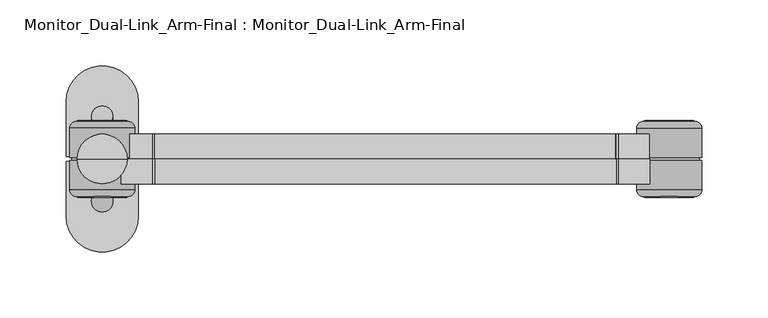
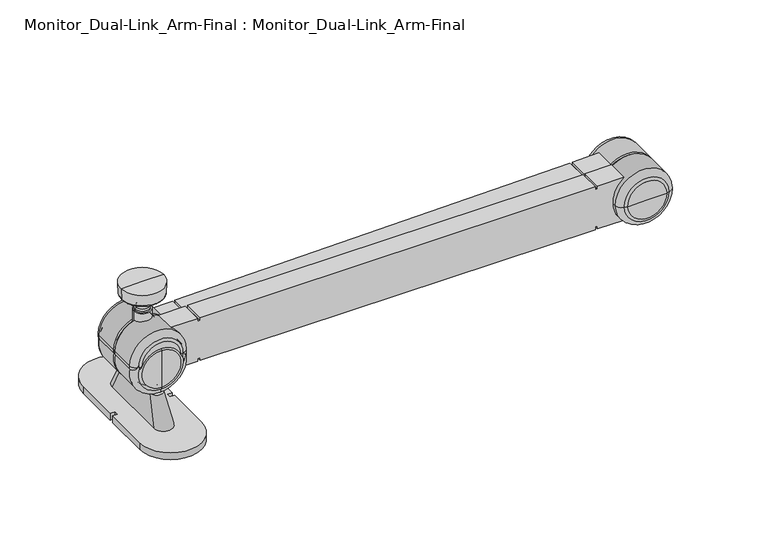
"""IFC4 building model written with IfcOpenShell, lengths in millimetres: proxy geometry, Monitor_Dual-Link_Arm-Final : Monitor_Dual-Link_Arm-Final."""

from ifc_helpers import new_model, si_unit, point, frame, frame_2d, origin, origin_with_axes, place, context, project, spatial, polyline, circle_curve, ellipse_curve, trimmed, segment, composite_curve, outline, extrude, source, transform, mapped, element, save
from ifc_brep_helpers import plane_surface, cylinder_surface, revolved_surface, spline_surface, advanced_brep


def monitor_dual_link_arm_final_monitor_dual_link_arm_final_3c1dcffe(model_context):
    return source(origin(), model_context, "Body", "SolidModel", [
        advanced_brep(
        [(14.2594417, 0.0, 109.9159285), (-14.390005, 0.0, 109.9159285), (-17.2631298, 0.0, 109.9159285), (17.1325665, 0.0, 109.9159285), (10.4651235, 0.0, 108.0417995), (-10.5956869, 0.0, 108.0417995), (8.3225601, 0.0, 106.5415605), (-8.4531234, 0.0, 106.5415605), (2.4235287, 0.0, 106.4080746), (-2.554092, 0.0, 106.4080746), (2.4235287, 0.0, 104.7329669), (-2.554092, 0.0, 104.7329669), (3.4032162, 0.0, 104.7329669), (-3.5337796, 0.0, 104.7329669), (3.8485234, 0.0, 101.4790226), (-3.9790867, 0.0, 101.4790226), (5.3589975, 0.0, 98.9342238), (-5.4895609, 0.0, 98.9342238), (6.0692452, 0.0, 97.4110928), (-6.1998085, 0.0, 97.4110928), (6.0692452, 0.0, 96.0678917), (-6.1998085, 0.0, 96.0678917), (7.4106237, 0.0, 96.0678917), (-7.541187, 0.0, 96.0678917), (7.4106237, 0.0, 84.2810725), (-7.541187, 0.0, 84.2810725), (-0.0652817, 0.0, 84.2810725), (18.758255, 0.0, 120.873411), (-18.8888183, 0.0, 120.873411), (-0.0652817, 0.0, 120.873411), (18.3332726, 0.0, 111.1466342), (-18.4638359, 0.0, 111.1466342)],
        [
            (0, 1, circle_curve(frame((-0.0652817, 0.0, 109.9159285), z_axis=(0.0, 0.0, 1.0), x_axis=(-1.0, 0.0, 0.0)), 14.3247233)),
            (1, 2),
            (2, 3, circle_curve(frame((-0.0652817, 0.0, 109.9159285), z_axis=(0.0, 0.0, -1.0), x_axis=(-1.0, 0.0, 0.0)), 17.1978481)),
            (3, 0),
            (1, 0, circle_curve(frame((-0.0652817, 0.0, 109.9159285), z_axis=(0.0, 0.0, 1.0), x_axis=(-1.0, 0.0, 0.0)), 14.3247233)),
            (3, 2, circle_curve(frame((-0.0652817, 0.0, 109.9159285), z_axis=(0.0, 0.0, -1.0), x_axis=(-1.0, 0.0, 0.0)), 17.1978481)),
            (4, 5, circle_curve(frame((-0.0652817, 0.0, 108.0417995), z_axis=(0.0, 0.0, 1.0), x_axis=(-1.0, 0.0, 0.0)), 10.5304052)),
            (5, 1, circle_curve(frame((-14.6071665, 0.0, 104.6982593), z_axis=(0.0, -1.0, 0.0), x_axis=(0.0, 0.0, 1.0)), 5.2221864)),
            (0, 4, circle_curve(frame((14.4766032, 0.0, 104.6982593), z_axis=(0.0, -1.0, 0.0), x_axis=(0.0, 0.0, 1.0)), 5.2221864)),
            (5, 4, circle_curve(frame((-0.0652817, 0.0, 108.0417995), z_axis=(0.0, 0.0, 1.0), x_axis=(-1.0, 0.0, 0.0)), 10.5304052)),
            (6, 7, circle_curve(frame((-0.0652817, 0.0, 106.5415605), z_axis=(0.0, 0.0, 1.0), x_axis=(-1.0, 0.0, 0.0)), 8.3878417)),
            (7, 5, circle_curve(frame((-6.7614159, 0.0, 111.2376375), z_axis=(0.0, 1.0, 0.0), x_axis=(0.0, 0.0, 1.0)), 4.9914942)),
            (4, 6, circle_curve(frame((6.6308526, 0.0, 111.2376375), z_axis=(0.0, 1.0, 0.0), x_axis=(0.0, 0.0, 1.0)), 4.9914942)),
            (7, 6, circle_curve(frame((-0.0652817, 0.0, 106.5415605), z_axis=(0.0, 0.0, 1.0), x_axis=(-1.0, 0.0, 0.0)), 8.3878417)),
            (8, 9, circle_curve(frame((-0.0652817, 0.0, 106.4080746), z_axis=(0.0, 0.0, 1.0), x_axis=(-1.0, 0.0, 0.0)), 2.4888103)),
            (9, 7, circle_curve(frame((-1.755604, 0.0, 272.1072465), z_axis=(0.0, 1.0, 0.0), x_axis=(0.0, 0.0, 1.0)), 165.7010958)),
            (6, 8, circle_curve(frame((1.6250407, 0.0, 272.1072465), z_axis=(0.0, 1.0, 0.0), x_axis=(0.0, 0.0, 1.0)), 165.7010958)),
            (9, 8, circle_curve(frame((-0.0652817, 0.0, 106.4080746), z_axis=(0.0, 0.0, 1.0), x_axis=(-1.0, 0.0, 0.0)), 2.4888103)),
            (10, 11, circle_curve(frame((-0.0652817, 0.0, 104.7329669), z_axis=(0.0, 0.0, 1.0), x_axis=(-1.0, 0.0, 0.0)), 2.4888103)),
            (11, 9),
            (8, 10),
            (11, 10, circle_curve(frame((-0.0652817, 0.0, 104.7329669), z_axis=(0.0, 0.0, 1.0), x_axis=(-1.0, 0.0, 0.0)), 2.4888103)),
            (12, 13, circle_curve(frame((-0.0652817, 0.0, 104.7329669), z_axis=(0.0, 0.0, 1.0), x_axis=(-1.0, 0.0, 0.0)), 3.4684979)),
            (13, 11),
            (10, 12),
            (13, 12, circle_curve(frame((-0.0652817, 0.0, 104.7329669), z_axis=(0.0, 0.0, 1.0), x_axis=(-1.0, 0.0, 0.0)), 3.4684979)),
            (14, 15, circle_curve(frame((-0.0652817, 0.0, 101.4790226), z_axis=(0.0, 0.0, 1.0), x_axis=(-1.0, 0.0, 0.0)), 3.9138051)),
            (15, 13),
            (12, 14),
            (15, 14, circle_curve(frame((-0.0652817, 0.0, 101.4790226), z_axis=(0.0, 0.0, 1.0), x_axis=(-1.0, 0.0, 0.0)), 3.9138051)),
            (16, 17, circle_curve(frame((-0.0652817, 0.0, 98.9342238), z_axis=(0.0, 0.0, 1.0), x_axis=(-1.0, 0.0, 0.0)), 5.4242792)),
            (17, 15),
            (14, 16),
            (17, 16, circle_curve(frame((-0.0652817, 0.0, 98.9342238), z_axis=(0.0, 0.0, 1.0), x_axis=(-1.0, 0.0, 0.0)), 5.4242792)),
            (18, 19, circle_curve(frame((-0.0652817, 0.0, 97.4110928), z_axis=(0.0, 0.0, 1.0), x_axis=(-1.0, 0.0, 0.0)), 6.1345269)),
            (19, 17),
            (16, 18),
            (19, 18, circle_curve(frame((-0.0652817, 0.0, 97.4110928), z_axis=(0.0, 0.0, 1.0), x_axis=(-1.0, 0.0, 0.0)), 6.1345269)),
            (20, 21, circle_curve(frame((-0.0652817, 0.0, 96.0678917), z_axis=(0.0, 0.0, 1.0), x_axis=(-1.0, 0.0, 0.0)), 6.1345269)),
            (21, 19),
            (18, 20),
            (21, 20, circle_curve(frame((-0.0652817, 0.0, 96.0678917), z_axis=(0.0, 0.0, 1.0), x_axis=(-1.0, 0.0, 0.0)), 6.1345269)),
            (22, 23, circle_curve(frame((-0.0652817, 0.0, 96.0678917), z_axis=(0.0, 0.0, 1.0), x_axis=(-1.0, 0.0, 0.0)), 7.4759054)),
            (23, 21),
            (20, 22),
            (23, 22, circle_curve(frame((-0.0652817, 0.0, 96.0678917), z_axis=(0.0, 0.0, 1.0), x_axis=(-1.0, 0.0, 0.0)), 7.4759054)),
            (24, 25, circle_curve(frame((-0.0652817, 0.0, 84.2810725), z_axis=(0.0, 0.0, 1.0), x_axis=(-1.0, 0.0, 0.0)), 7.4759054)),
            (25, 23),
            (22, 24),
            (25, 24, circle_curve(frame((-0.0652817, 0.0, 84.2810725), z_axis=(0.0, 0.0, 1.0), x_axis=(-1.0, 0.0, 0.0)), 7.4759054)),
            (26, 25),
            (24, 26),
            (27, 28, circle_curve(frame((-0.0652817, 0.0, 120.873411), z_axis=(0.0, 0.0, 1.0), x_axis=(-1.0, 0.0, 0.0)), 18.8235367)),
            (28, 29),
            (29, 27),
            (28, 27, circle_curve(frame((-0.0652817, 0.0, 120.873411), z_axis=(0.0, 0.0, 1.0), x_axis=(-1.0, 0.0, 0.0)), 18.8235367)),
            (30, 31, circle_curve(frame((-0.0652817, 0.0, 111.1466342), z_axis=(0.0, 0.0, 1.0), x_axis=(-1.0, 0.0, 0.0)), 18.3985543)),
            (31, 28),
            (27, 30),
            (31, 30, circle_curve(frame((-0.0652817, 0.0, 111.1466342), z_axis=(0.0, 0.0, 1.0), x_axis=(-1.0, 0.0, 0.0)), 18.3985543)),
            (2, 31, circle_curve(frame((-17.1750383, 0.0, 111.2029444), z_axis=(0.0, 1.0, 0.0), x_axis=(0.0, 0.0, 1.0)), 1.2900272)),
            (30, 3, circle_curve(frame((17.044475, 0.0, 111.2029444), z_axis=(0.0, 1.0, 0.0), x_axis=(0.0, 0.0, 1.0)), 1.2900272)),
        ],
        [
            plane_surface(frame((-0.0652817, 0.0, 109.9159285), z_axis=(0.0, 0.0, -1.0), x_axis=(-1.0, 0.0, 0.0))),
            revolved_surface(trimmed(ellipse_curve(frame((-14.6071665, 0.0, 104.6982593), z_axis=(0.0, 1.0, 0.0), x_axis=(0.0, 0.0, 1.0)), 5.2221864, 5.2221864), [point((-14.390005, 0.0, 109.9159285))], [point((-10.5956869, 0.0, 108.0417995))], True, "CARTESIAN"), (-0.0652817, 0.0, 120.873411), (0.0, 0.0, -1.0)),
            revolved_surface(trimmed(ellipse_curve(frame((-6.7614159, 0.0, 111.2376375), z_axis=(0.0, -1.0, 0.0), x_axis=(0.0, 0.0, 1.0)), 4.9914942, 4.9914942), [point((-10.5956869, 0.0, 108.0417995))], [point((-8.4531234, 0.0, 106.5415605))], True, "CARTESIAN"), (-0.0652817, 0.0, 120.873411), (0.0, 0.0, -1.0)),
            revolved_surface(trimmed(ellipse_curve(frame((-1.755604, 0.0, 272.1072465), z_axis=(0.0, -1.0, 0.0), x_axis=(0.0, 0.0, 1.0)), 165.7010958, 165.7010958), [point((-8.4531234, 0.0, 106.5415605))], [point((-2.554092, 0.0, 106.4080746))], True, "CARTESIAN"), (-0.0652817, 0.0, 120.873411), (0.0, 0.0, -1.0)),
            cylinder_surface(frame((-0.0652817, 0.0, 120.873411), z_axis=(0.0, 0.0, -1.0), x_axis=(-1.0, 0.0, 0.0)), 2.4888103),
            plane_surface(frame((-0.0652817, 0.0, 104.7329669), z_axis=(0.0, 0.0, 1.0), x_axis=(-1.0, 0.0, 0.0))),
            revolved_surface(polyline([(-3.5337796, 0.0, 104.7329669), (-3.9790867, 0.0, 101.4790226)]), (-0.0652817, 0.0, 120.873411), (0.0, 0.0, -1.0)),
            revolved_surface(polyline([(-3.9790867, 0.0, 101.4790226), (-5.4895609, 0.0, 98.9342238)]), (-0.0652817, 0.0, 120.873411), (0.0, 0.0, -1.0)),
            revolved_surface(polyline([(-5.4895609, 0.0, 98.9342238), (-6.1998085, 0.0, 97.4110928)]), (-0.0652817, 0.0, 120.873411), (0.0, 0.0, -1.0)),
            cylinder_surface(frame((-0.0652817, 0.0, 120.873411), z_axis=(0.0, 0.0, -1.0), x_axis=(-1.0, 0.0, 0.0)), 6.1345269),
            plane_surface(frame((-0.0652817, 0.0, 96.0678917), z_axis=(0.0, 0.0, 1.0), x_axis=(-1.0, 0.0, 0.0))),
            cylinder_surface(frame((-0.0652817, 0.0, 120.873411), z_axis=(0.0, 0.0, -1.0), x_axis=(-1.0, 0.0, 0.0)), 7.4759054),
            plane_surface(frame((-0.0652817, 0.0, 84.2810725), z_axis=(0.0, 0.0, -1.0), x_axis=(-1.0, 0.0, 0.0))),
            plane_surface(frame((-0.0652817, 0.0, 120.873411), z_axis=(0.0, 0.0, 1.0), x_axis=(-1.0, 0.0, 0.0))),
            revolved_surface(polyline([(-18.8888183, 0.0, 120.873411), (-18.4638359, 0.0, 111.1466342)]), (-0.0652817, 0.0, 120.873411), (0.0, 0.0, -1.0)),
            revolved_surface(trimmed(ellipse_curve(frame((-17.1750383, 0.0, 111.2029444), z_axis=(0.0, -1.0, 0.0), x_axis=(0.0, 0.0, 1.0)), 1.2900272, 1.2900272), [point((-18.4638359, 0.0, 111.1466342))], [point((-17.2631298, 0.0, 109.9159285))], True, "CARTESIAN"), (-0.0652817, 0.0, 120.873411), (0.0, 0.0, -1.0)),
        ],
        [
            (0, [[1, 2, 3, 4]]),
            (0, [[5, -4, 6, -2]]),
            (1, [[7, 8, -1, 9]]),
            (1, [[10, -9, -5, -8]]),
            (2, [[11, 12, -7, 13]]),
            (2, [[14, -13, -10, -12]]),
            (3, [[15, 16, -11, 17]]),
            (3, [[18, -17, -14, -16]]),
            (4, [[19, 20, -15, 21]]),
            (4, [[22, -21, -18, -20]]),
            (5, [[23, 24, -19, 25]]),
            (5, [[26, -25, -22, -24]]),
            (6, [[27, 28, -23, 29]]),
            (6, [[30, -29, -26, -28]]),
            (7, [[31, 32, -27, 33]]),
            (7, [[34, -33, -30, -32]]),
            (8, [[35, 36, -31, 37]]),
            (8, [[38, -37, -34, -36]]),
            (9, [[39, 40, -35, 41]]),
            (9, [[42, -41, -38, -40]]),
            (10, [[43, 44, -39, 45]]),
            (10, [[46, -45, -42, -44]]),
            (11, [[47, 48, -43, 49]]),
            (11, [[50, -49, -46, -48]]),
            (12, [[51, -47, 52]]),
            (12, [[-52, -50, -51]]),
            (13, [[53, 54, 55]]),
            (13, [[56, -55, -54]]),
            (14, [[57, 58, -53, 59]]),
            (14, [[60, -59, -56, -58]]),
            (15, [[-3, 61, -57, 62]]),
            (15, [[-6, -62, -60, -61]]),
        ],
    ),
        extrude(outline(composite_curve([segment(polyline([(84.5121655, 413.9843004), (84.5121655, 390.5634677), (82.0815253, 390.5634677), (82.0815253, 388.5392194), (84.5121655, 388.5392194), (84.5121655, 39.9552173), (82.0815253, 39.9552173), (82.0815253, 37.9309689), (84.5121655, 37.9309689), (84.5121655, 14.5101363)]), True, "CONTINUOUS"), segment(trimmed(circle_curve(frame_2d((64.6305377, -0.0652817)), 24.6520168), [point((84.5121655, 14.5101363))], [point((64.6305377, 24.5867352))], True, "CARTESIAN"), True, "CONTINUOUS"), segment(trimmed(circle_curve(frame_2d((64.6305377, -0.0652817)), 24.6520168), [point((64.6305377, 24.5867352))], [point((44.7489099, 14.5101363))], True, "CARTESIAN"), True, "CONTINUOUS"), segment(polyline([(44.7489099, 14.5101363), (44.7489099, 37.9309689), (47.1795501, 37.9309689), (47.1795501, 39.9552173), (44.7489099, 39.9552173), (44.7489099, 388.5392194), (47.1795501, 388.5392194), (47.1795501, 390.5634677), (44.7489099, 390.5634677), (44.7489099, 413.9843004)]), True, "CONTINUOUS"), segment(trimmed(circle_curve(frame_2d((64.6305377, 428.5597183)), 24.6520168), [point((44.7489099, 413.9843004))], [point((64.6305377, 403.9077015))], True, "CARTESIAN"), True, "CONTINUOUS"), segment(trimmed(circle_curve(frame_2d((64.6305377, 428.5597183)), 24.6520168), [point((64.6305377, 403.9077015))], [point((84.5121655, 413.9843004))], True, "CARTESIAN"), True, "CONTINUOUS")], self_intersect=False)), frame((0.0, -19.05, 0.0), z_axis=(0.0, 1.0, 0.0), x_axis=(0.0, 0.0, 1.0)), (0.0, 0.0, 1.0), 19.05),
        extrude(outline(composite_curve([segment(polyline([(37.5257763, 14.9201803), (37.9345262, 38.3374458), (40.3647963, 38.2950253), (40.4001243, 40.3189654), (37.9698542, 40.3613859), (44.0534839, 388.892297), (46.483754, 388.8498764), (46.519082, 390.8738165), (44.0888119, 390.916237), (44.4975618, 414.3335025)]), True, "CONTINUOUS"), segment(trimmed(circle_curve(frame_2d((64.6305377, 428.5597183)), 24.6520168), [point((44.4975618, 414.3335025))], [point((64.2003007, 403.9114561))], True, "CARTESIAN"), True, "CONTINUOUS"), segment(trimmed(circle_curve(frame_2d((64.6305377, 428.5597183)), 24.6520168), [point((64.2003007, 403.9114561))], [point((84.2547614, 413.639538))], True, "CARTESIAN"), True, "CONTINUOUS"), segment(polyline([(84.2547614, 413.639538), (83.8460115, 390.2222725), (81.4157414, 390.264693), (81.3804134, 388.240753), (83.8106835, 388.1983325), (77.7270538, 39.6674214), (75.2967837, 39.7098419), (75.2614557, 37.6859019), (77.6917258, 37.6434813), (77.2829759, 14.2262158)]), True, "CONTINUOUS"), segment(trimmed(circle_curve(frame_2d((57.15, 0.0)), 24.6520168), [point((77.2829759, 14.2262158))], [point((57.580237, 24.6482622))], True, "CARTESIAN"), True, "CONTINUOUS"), segment(trimmed(circle_curve(frame_2d((57.15, 0.0)), 24.6520168), [point((57.580237, 24.6482622))], [point((37.5257763, 14.9201803))], True, "CARTESIAN"), True, "CONTINUOUS")], self_intersect=False)), frame((0.0, 0.0, 0.0), z_axis=(0.0, 1.0, 0.0), x_axis=(0.0, 0.0, 1.0)), (0.0, 0.0, 1.0), 19.05),
        advanced_brep(
        [(0.0, -29.2471299, 74.2044566), (0.0, -29.2471299, 40.0955434), (0.0, -29.2471299, 57.15), (0.0, -28.2791366, 76.8005348), (0.0, -28.2791366, 37.4994652), (0.0, -23.3656038, 81.8020168), (0.0, -23.3656038, 32.4979832), (0.0, -1.1824193, 81.8020168), (0.0, -1.1824193, 32.4979832), (0.0, -1.1824193, 79.9979466), (0.0, -1.1824193, 34.3020534), (0.0, 1.1824193, 79.9979466), (0.0, 1.1824193, 34.3020534), (0.0, 1.1824193, 81.8020168), (0.0, 1.1824193, 32.4979832), (0.0, 23.3656038, 81.8020168), (0.0, 23.3656038, 32.4979832), (0.0, 28.2791366, 76.8005348), (0.0, 28.2791366, 37.4994652), (0.0, 29.2471299, 74.2044566), (0.0, 29.2471299, 40.0955434), (0.0, 29.2471299, 57.15)],
        [
            (0, 1, circle_curve(frame((0.0, -29.2471299, 57.15), z_axis=(0.0, -1.0, 0.0), x_axis=(0.0, 0.0, -1.0)), 17.0544566)),
            (1, 2),
            (2, 0),
            (1, 0, circle_curve(frame((0.0, -29.2471299, 57.15), z_axis=(0.0, -1.0, 0.0), x_axis=(0.0, 0.0, -1.0)), 17.0544566)),
            (3, 4, circle_curve(frame((0.0, -28.2791366, 57.15), z_axis=(0.0, -1.0, 0.0), x_axis=(0.0, 0.0, -1.0)), 19.6505348)),
            (4, 1, circle_curve(frame((0.0, -25.5205933, 40.0065422), z_axis=(-1.0, 0.0, 0.0), x_axis=(0.0, 1.0, 0.0)), 3.7275992)),
            (0, 3, circle_curve(frame((0.0, -25.5205933, 74.2934578), z_axis=(-1.0, 0.0, 0.0), x_axis=(0.0, 1.0, 0.0)), 3.7275992)),
            (4, 3, circle_curve(frame((0.0, -28.2791366, 57.15), z_axis=(0.0, -1.0, 0.0), x_axis=(0.0, 0.0, -1.0)), 19.6505348)),
            (5, 6, circle_curve(frame((0.0, -23.3656038, 57.15), z_axis=(0.0, -1.0, 0.0), x_axis=(0.0, 0.0, -1.0)), 24.6520168)),
            (6, 4, circle_curve(frame((0.0, -23.2768674, 37.4994652), z_axis=(-1.0, 0.0, 0.0), x_axis=(0.0, 1.0, 0.0)), 5.0022691)),
            (3, 5, circle_curve(frame((0.0, -23.2768674, 76.8005348), z_axis=(-1.0, 0.0, 0.0), x_axis=(0.0, 1.0, 0.0)), 5.0022691)),
            (6, 5, circle_curve(frame((0.0, -23.3656038, 57.15), z_axis=(0.0, -1.0, 0.0), x_axis=(0.0, 0.0, -1.0)), 24.6520168)),
            (7, 8, circle_curve(frame((0.0, -1.1824193, 57.15), z_axis=(0.0, -1.0, 0.0), x_axis=(0.0, 0.0, -1.0)), 24.6520168)),
            (8, 6),
            (5, 7),
            (8, 7, circle_curve(frame((0.0, -1.1824193, 57.15), z_axis=(0.0, -1.0, 0.0), x_axis=(0.0, 0.0, -1.0)), 24.6520168)),
            (9, 10, circle_curve(frame((0.0, -1.1824193, 57.15), z_axis=(0.0, -1.0, 0.0), x_axis=(0.0, 0.0, -1.0)), 22.8479466)),
            (10, 8),
            (7, 9),
            (10, 9, circle_curve(frame((0.0, -1.1824193, 57.15), z_axis=(0.0, -1.0, 0.0), x_axis=(0.0, 0.0, -1.0)), 22.8479466)),
            (11, 12, circle_curve(frame((0.0, 1.1824193, 57.15), z_axis=(0.0, -1.0, 0.0), x_axis=(0.0, 0.0, -1.0)), 22.8479466)),
            (12, 10),
            (9, 11),
            (12, 11, circle_curve(frame((0.0, 1.1824193, 57.15), z_axis=(0.0, -1.0, 0.0), x_axis=(0.0, 0.0, -1.0)), 22.8479466)),
            (13, 14, circle_curve(frame((0.0, 1.1824193, 57.15), z_axis=(0.0, -1.0, 0.0), x_axis=(0.0, 0.0, -1.0)), 24.6520168)),
            (14, 12),
            (11, 13),
            (14, 13, circle_curve(frame((0.0, 1.1824193, 57.15), z_axis=(0.0, -1.0, 0.0), x_axis=(0.0, 0.0, -1.0)), 24.6520168)),
            (15, 16, circle_curve(frame((0.0, 23.3656038, 57.15), z_axis=(0.0, -1.0, 0.0), x_axis=(0.0, 0.0, -1.0)), 24.6520168)),
            (16, 14),
            (13, 15),
            (16, 15, circle_curve(frame((0.0, 23.3656038, 57.15), z_axis=(0.0, -1.0, 0.0), x_axis=(0.0, 0.0, -1.0)), 24.6520168)),
            (17, 18, circle_curve(frame((0.0, 28.2791366, 57.15), z_axis=(0.0, -1.0, 0.0), x_axis=(0.0, 0.0, -1.0)), 19.6505348)),
            (18, 16, circle_curve(frame((0.0, 23.2768674, 37.4994652), z_axis=(-1.0, 0.0, 0.0), x_axis=(0.0, 1.0, 0.0)), 5.0022691)),
            (15, 17, circle_curve(frame((0.0, 23.2768674, 76.8005348), z_axis=(-1.0, 0.0, 0.0), x_axis=(0.0, 1.0, 0.0)), 5.0022691)),
            (18, 17, circle_curve(frame((0.0, 28.2791366, 57.15), z_axis=(0.0, -1.0, 0.0), x_axis=(0.0, 0.0, -1.0)), 19.6505348)),
            (19, 20, circle_curve(frame((0.0, 29.2471299, 57.15), z_axis=(0.0, -1.0, 0.0), x_axis=(0.0, 0.0, -1.0)), 17.0544566)),
            (20, 18, circle_curve(frame((0.0, 25.5205933, 40.0065422), z_axis=(-1.0, 0.0, 0.0), x_axis=(0.0, 1.0, 0.0)), 3.7275992)),
            (17, 19, circle_curve(frame((0.0, 25.5205933, 74.2934578), z_axis=(-1.0, 0.0, 0.0), x_axis=(0.0, 1.0, 0.0)), 3.7275992)),
            (20, 19, circle_curve(frame((0.0, 29.2471299, 57.15), z_axis=(0.0, -1.0, 0.0), x_axis=(0.0, 0.0, -1.0)), 17.0544566)),
            (21, 20),
            (19, 21),
        ],
        [
            plane_surface(frame((0.0, -29.2471299, 57.15), z_axis=(0.0, -1.0, 0.0), x_axis=(0.0, 0.0, -1.0))),
            revolved_surface(trimmed(ellipse_curve(frame((0.0, -25.5205933, 40.0065422), z_axis=(1.0, 0.0, 0.0), x_axis=(0.0, 1.0, 0.0)), 3.7275992, 3.7275992), [point((0.0, -29.2471299, 40.0955434))], [point((0.0, -28.2791366, 37.4994652))], True, "CARTESIAN"), (0.0, 29.2471299, 57.15), (0.0, 1.0, 0.0)),
            revolved_surface(trimmed(ellipse_curve(frame((0.0, -23.2768674, 37.4994652), z_axis=(1.0, 0.0, 0.0), x_axis=(0.0, 1.0, 0.0)), 5.0022691, 5.0022691), [point((0.0, -28.2791366, 37.4994652))], [point((0.0, -23.3656038, 32.4979832))], True, "CARTESIAN"), (0.0, 29.2471299, 57.15), (0.0, 1.0, 0.0)),
            cylinder_surface(frame((0.0, 29.2471299, 57.15), z_axis=(0.0, 1.0, 0.0), x_axis=(0.0, 0.0, -1.0)), 24.6520168),
            plane_surface(frame((0.0, -1.1824193, 57.15), z_axis=(0.0, 1.0, 0.0), x_axis=(0.0, 0.0, -1.0))),
            cylinder_surface(frame((0.0, 29.2471299, 57.15), z_axis=(0.0, 1.0, 0.0), x_axis=(0.0, 0.0, -1.0)), 22.8479466),
            plane_surface(frame((0.0, 1.1824193, 57.15), z_axis=(0.0, -1.0, 0.0), x_axis=(0.0, 0.0, -1.0))),
            revolved_surface(trimmed(ellipse_curve(frame((0.0, 23.2768674, 37.4994652), z_axis=(1.0, 0.0, 0.0), x_axis=(0.0, 1.0, 0.0)), 5.0022691, 5.0022691), [point((0.0, 23.3656038, 32.4979832))], [point((0.0, 28.2791366, 37.4994652))], True, "CARTESIAN"), (0.0, 29.2471299, 57.15), (0.0, 1.0, 0.0)),
            revolved_surface(trimmed(ellipse_curve(frame((0.0, 25.5205933, 40.0065422), z_axis=(1.0, 0.0, 0.0), x_axis=(0.0, 1.0, 0.0)), 3.7275992, 3.7275992), [point((0.0, 28.2791366, 37.4994652))], [point((0.0, 29.2471299, 40.0955434))], True, "CARTESIAN"), (0.0, 29.2471299, 57.15), (0.0, 1.0, 0.0)),
            plane_surface(frame((0.0, 29.2471299, 57.15), z_axis=(0.0, 1.0, 0.0), x_axis=(0.0, 0.0, -1.0))),
        ],
        [
            (0, [[1, 2, 3]]),
            (0, [[4, -3, -2]]),
            (1, [[5, 6, -1, 7]]),
            (1, [[8, -7, -4, -6]]),
            (2, [[9, 10, -5, 11]]),
            (2, [[12, -11, -8, -10]]),
            (3, [[13, 14, -9, 15]]),
            (3, [[16, -15, -12, -14]]),
            (4, [[17, 18, -13, 19]]),
            (4, [[20, -19, -16, -18]]),
            (5, [[21, 22, -17, 23]]),
            (5, [[24, -23, -20, -22]]),
            (6, [[25, 26, -21, 27]]),
            (6, [[28, -27, -24, -26]]),
            (3, [[29, 30, -25, 31]]),
            (3, [[32, -31, -28, -30]]),
            (7, [[33, 34, -29, 35]]),
            (7, [[36, -35, -32, -34]]),
            (8, [[37, 38, -33, 39]]),
            (8, [[40, -39, -36, -38]]),
            (9, [[41, -37, 42]]),
            (9, [[-42, -40, -41]]),
        ],
    ),
        advanced_brep(
        [(-17.1197382, -29.2471299, 64.6305377), (16.9891749, -29.2471299, 64.6305377), (-0.0652817, -29.2471299, 64.6305377), (-19.7158165, -28.2791366, 64.6305377), (19.5852532, -28.2791366, 64.6305377), (-24.7172985, -23.3656038, 64.6305377), (24.5867352, -23.3656038, 64.6305377), (-24.7172985, -1.1824193, 64.6305377), (24.5867352, -1.1824193, 64.6305377), (-22.9132283, -1.1824193, 64.6305377), (22.782665, -1.1824193, 64.6305377), (-22.9132283, 1.1824193, 64.6305377), (22.782665, 1.1824193, 64.6305377), (-24.7172985, 1.1824193, 64.6305377), (24.5867352, 1.1824193, 64.6305377), (-24.7172985, 23.3656038, 64.6305377), (24.5867352, 23.3656038, 64.6305377), (-19.7158165, 28.2791366, 64.6305377), (19.5852532, 28.2791366, 64.6305377), (-17.1197382, 29.2471299, 64.6305377), (16.9891749, 29.2471299, 64.6305377), (-0.0652817, 29.2471299, 64.6305377)],
        [
            (0, 1, circle_curve(frame((-0.0652817, -29.2471299, 64.6305377), z_axis=(0.0, -1.0, 0.0), x_axis=(1.0, 0.0, 0.0)), 17.0544566)),
            (1, 2),
            (2, 0),
            (1, 0, circle_curve(frame((-0.0652817, -29.2471299, 64.6305377), z_axis=(0.0, -1.0, 0.0), x_axis=(1.0, 0.0, 0.0)), 17.0544566)),
            (3, 4, circle_curve(frame((-0.0652817, -28.2791366, 64.6305377), z_axis=(0.0, -1.0, 0.0), x_axis=(1.0, 0.0, 0.0)), 19.6505348)),
            (4, 1, circle_curve(frame((17.0781761, -25.5205933, 64.6305377), z_axis=(0.0, 0.0, -1.0), x_axis=(-1.0, 0.0, 0.0)), 3.7275992)),
            (0, 3, circle_curve(frame((-17.2087395, -25.5205933, 64.6305377), z_axis=(0.0, 0.0, -1.0), x_axis=(1.0, 0.0, 0.0)), 3.7275992)),
            (4, 3, circle_curve(frame((-0.0652817, -28.2791366, 64.6305377), z_axis=(0.0, -1.0, 0.0), x_axis=(1.0, 0.0, 0.0)), 19.6505348)),
            (5, 6, circle_curve(frame((-0.0652817, -23.3656038, 64.6305377), z_axis=(0.0, -1.0, 0.0), x_axis=(1.0, 0.0, 0.0)), 24.6520168)),
            (6, 4, circle_curve(frame((19.5852532, -23.2768674, 64.6305377), z_axis=(0.0, 0.0, -1.0), x_axis=(-1.0, 0.0, 0.0)), 5.0022691)),
            (3, 5, circle_curve(frame((-19.7158165, -23.2768674, 64.6305377), z_axis=(0.0, 0.0, -1.0), x_axis=(1.0, 0.0, 0.0)), 5.0022691)),
            (6, 5, circle_curve(frame((-0.0652817, -23.3656038, 64.6305377), z_axis=(0.0, -1.0, 0.0), x_axis=(1.0, 0.0, 0.0)), 24.6520168)),
            (7, 8, circle_curve(frame((-0.0652817, -1.1824193, 64.6305377), z_axis=(0.0, -1.0, 0.0), x_axis=(1.0, 0.0, 0.0)), 24.6520168)),
            (8, 6),
            (5, 7),
            (8, 7, circle_curve(frame((-0.0652817, -1.1824193, 64.6305377), z_axis=(0.0, -1.0, 0.0), x_axis=(1.0, 0.0, 0.0)), 24.6520168)),
            (9, 10, circle_curve(frame((-0.0652817, -1.1824193, 64.6305377), z_axis=(0.0, -1.0, 0.0), x_axis=(1.0, 0.0, 0.0)), 22.8479466)),
            (10, 8),
            (7, 9),
            (10, 9, circle_curve(frame((-0.0652817, -1.1824193, 64.6305377), z_axis=(0.0, -1.0, 0.0), x_axis=(1.0, 0.0, 0.0)), 22.8479466)),
            (11, 12, circle_curve(frame((-0.0652817, 1.1824193, 64.6305377), z_axis=(0.0, -1.0, 0.0), x_axis=(1.0, 0.0, 0.0)), 22.8479466)),
            (12, 10),
            (9, 11),
            (12, 11, circle_curve(frame((-0.0652817, 1.1824193, 64.6305377), z_axis=(0.0, -1.0, 0.0), x_axis=(1.0, 0.0, 0.0)), 22.8479466)),
            (13, 14, circle_curve(frame((-0.0652817, 1.1824193, 64.6305377), z_axis=(0.0, -1.0, 0.0), x_axis=(1.0, 0.0, 0.0)), 24.6520168)),
            (14, 12),
            (11, 13),
            (14, 13, circle_curve(frame((-0.0652817, 1.1824193, 64.6305377), z_axis=(0.0, -1.0, 0.0), x_axis=(1.0, 0.0, 0.0)), 24.6520168)),
            (15, 16, circle_curve(frame((-0.0652817, 23.3656038, 64.6305377), z_axis=(0.0, -1.0, 0.0), x_axis=(1.0, 0.0, 0.0)), 24.6520168)),
            (16, 14),
            (13, 15),
            (16, 15, circle_curve(frame((-0.0652817, 23.3656038, 64.6305377), z_axis=(0.0, -1.0, 0.0), x_axis=(1.0, 0.0, 0.0)), 24.6520168)),
            (17, 18, circle_curve(frame((-0.0652817, 28.2791366, 64.6305377), z_axis=(0.0, -1.0, 0.0), x_axis=(1.0, 0.0, 0.0)), 19.6505348)),
            (18, 16, circle_curve(frame((19.5852532, 23.2768674, 64.6305377), z_axis=(0.0, 0.0, -1.0), x_axis=(-1.0, 0.0, 0.0)), 5.0022691)),
            (15, 17, circle_curve(frame((-19.7158165, 23.2768674, 64.6305377), z_axis=(0.0, 0.0, -1.0), x_axis=(1.0, 0.0, 0.0)), 5.0022691)),
            (18, 17, circle_curve(frame((-0.0652817, 28.2791366, 64.6305377), z_axis=(0.0, -1.0, 0.0), x_axis=(1.0, 0.0, 0.0)), 19.6505348)),
            (19, 20, circle_curve(frame((-0.0652817, 29.2471299, 64.6305377), z_axis=(0.0, -1.0, 0.0), x_axis=(1.0, 0.0, 0.0)), 17.0544566)),
            (20, 18, circle_curve(frame((17.0781761, 25.5205933, 64.6305377), z_axis=(0.0, 0.0, -1.0), x_axis=(-1.0, 0.0, 0.0)), 3.7275992)),
            (17, 19, circle_curve(frame((-17.2087395, 25.5205933, 64.6305377), z_axis=(0.0, 0.0, -1.0), x_axis=(1.0, 0.0, 0.0)), 3.7275992)),
            (20, 19, circle_curve(frame((-0.0652817, 29.2471299, 64.6305377), z_axis=(0.0, -1.0, 0.0), x_axis=(1.0, 0.0, 0.0)), 17.0544566)),
            (21, 20),
            (19, 21),
        ],
        [
            plane_surface(frame((-0.0652817, -29.2471299, 64.6305377), z_axis=(0.0, -1.0, 0.0), x_axis=(1.0, 0.0, 0.0))),
            revolved_surface(trimmed(ellipse_curve(frame((17.0781761, -25.5205933, 64.6305377), z_axis=(0.0, 0.0, 1.0), x_axis=(-1.0, 0.0, 0.0)), 3.7275992, 3.7275992), [point((16.9891749, -29.2471299, 64.6305377))], [point((19.5852532, -28.2791366, 64.6305377))], True, "CARTESIAN"), (-0.0652817, 29.2471299, 64.6305377), (0.0, 1.0, 0.0)),
            revolved_surface(trimmed(ellipse_curve(frame((19.5852532, -23.2768674, 64.6305377), z_axis=(0.0, 0.0, 1.0), x_axis=(-1.0, 0.0, 0.0)), 5.0022691, 5.0022691), [point((19.5852532, -28.2791366, 64.6305377))], [point((24.5867352, -23.3656038, 64.6305377))], True, "CARTESIAN"), (-0.0652817, 29.2471299, 64.6305377), (0.0, 1.0, 0.0)),
            cylinder_surface(frame((-0.0652817, 29.2471299, 64.6305377), z_axis=(0.0, 1.0, 0.0), x_axis=(1.0, 0.0, 0.0)), 24.6520168),
            plane_surface(frame((-0.0652817, -1.1824193, 64.6305377), z_axis=(0.0, 1.0, 0.0), x_axis=(1.0, 0.0, 0.0))),
            cylinder_surface(frame((-0.0652817, 29.2471299, 64.6305377), z_axis=(0.0, 1.0, 0.0), x_axis=(1.0, 0.0, 0.0)), 22.8479466),
            plane_surface(frame((-0.0652817, 1.1824193, 64.6305377), z_axis=(0.0, -1.0, 0.0), x_axis=(1.0, 0.0, 0.0))),
            revolved_surface(trimmed(ellipse_curve(frame((19.5852532, 23.2768674, 64.6305377), z_axis=(0.0, 0.0, 1.0), x_axis=(-1.0, 0.0, 0.0)), 5.0022691, 5.0022691), [point((24.5867352, 23.3656038, 64.6305377))], [point((19.5852532, 28.2791366, 64.6305377))], True, "CARTESIAN"), (-0.0652817, 29.2471299, 64.6305377), (0.0, 1.0, 0.0)),
            revolved_surface(trimmed(ellipse_curve(frame((17.0781761, 25.5205933, 64.6305377), z_axis=(0.0, 0.0, 1.0), x_axis=(-1.0, 0.0, 0.0)), 3.7275992, 3.7275992), [point((19.5852532, 28.2791366, 64.6305377))], [point((16.9891749, 29.2471299, 64.6305377))], True, "CARTESIAN"), (-0.0652817, 29.2471299, 64.6305377), (0.0, 1.0, 0.0)),
            plane_surface(frame((-0.0652817, 29.2471299, 64.6305377), z_axis=(0.0, 1.0, 0.0), x_axis=(1.0, 0.0, 0.0))),
        ],
        [
            (0, [[1, 2, 3]]),
            (0, [[4, -3, -2]]),
            (1, [[5, 6, -1, 7]]),
            (1, [[8, -7, -4, -6]]),
            (2, [[9, 10, -5, 11]]),
            (2, [[12, -11, -8, -10]]),
            (3, [[13, 14, -9, 15]]),
            (3, [[16, -15, -12, -14]]),
            (4, [[17, 18, -13, 19]]),
            (4, [[20, -19, -16, -18]]),
            (5, [[21, 22, -17, 23]]),
            (5, [[24, -23, -20, -22]]),
            (6, [[25, 26, -21, 27]]),
            (6, [[28, -27, -24, -26]]),
            (3, [[29, 30, -25, 31]]),
            (3, [[32, -31, -28, -30]]),
            (7, [[33, 34, -29, 35]]),
            (7, [[36, -35, -32, -34]]),
            (8, [[37, 38, -33, 39]]),
            (8, [[40, -39, -36, -38]]),
            (9, [[41, -37, 42]]),
            (9, [[-42, -40, -41]]),
        ],
    ),
        advanced_brep(
        [(445.6115774, -29.2471299, 64.928179), (411.5078592, -29.2471299, 64.3328964), (428.5597183, -29.2471299, 64.6305377), (448.2072603, -28.2791366, 64.9734868), (408.9121764, -28.2791366, 64.2875886), (453.2079805, -23.3656038, 65.0607747), (403.9114561, -23.3656038, 64.2003007), (451.4041851, -1.1824193, 65.0292894), (405.7152516, -1.1824193, 64.2317861), (403.9114561, -1.1824193, 64.2003007), (453.2079805, -1.1824193, 65.0607747), (451.4041851, 1.1824193, 65.0292894), (405.7152516, 1.1824193, 64.2317861), (453.2079805, 1.1824193, 65.0607747), (403.9114561, 1.1824193, 64.2003007), (448.2072603, 28.2791366, 64.9734868), (408.9121764, 28.2791366, 64.2875886), (403.9114561, 23.3656038, 64.2003007), (453.2079805, 23.3656038, 65.0607747), (445.6115774, 29.2471299, 64.928179), (411.5078592, 29.2471299, 64.3328964), (428.5597183, 29.2471299, 64.6305377)],
        [
            (0, 1, circle_curve(frame((428.5597183, -29.2471299, 64.6305377), z_axis=(0.0, -1.0, 0.0), x_axis=(-0.9998476951563913, 0.0, -0.01745240643728023)), 17.0544566)),
            (1, 2),
            (2, 0),
            (1, 0, circle_curve(frame((428.5597183, -29.2471299, 64.6305377), z_axis=(0.0, -1.0, 0.0), x_axis=(-0.9998476951563913, 0.0, -0.01745240643728023)), 17.0544566)),
            (3, 4, circle_curve(frame((428.5597183, -28.2791366, 64.6305377), z_axis=(0.0, -1.0, 0.0), x_axis=(-0.9998476951563913, 0.0, -0.01745240643728023)), 19.6505348)),
            (4, 1, circle_curve(frame((411.4188716, -25.5205933, 64.3313431), z_axis=(-0.017452406437280243, 0.0, 0.9998476951563913), x_axis=(0.9998476951563913, 0.0, 0.017452406437280243)), 3.7275992)),
            (0, 3, circle_curve(frame((445.7005651, -25.5205933, 64.9297323), z_axis=(-0.017452406437283473, 0.0, 0.9998476951563912), x_axis=(-0.9998476951563912, 0.0, -0.017452406437283473)), 3.7275992)),
            (4, 3, circle_curve(frame((428.5597183, -28.2791366, 64.6305377), z_axis=(0.0, -1.0, 0.0), x_axis=(-0.9998476951563913, 0.0, -0.01745240643728023)), 19.6505348)),
            (5, 6, circle_curve(frame((428.5597183, -23.3656038, 64.6305377), z_axis=(0.0, -1.0, 0.0), x_axis=(-0.9998476951563913, 0.0, -0.01745240643728023)), 24.6520168)),
            (6, 4, circle_curve(frame((408.9121764, -23.2768674, 64.2875886), z_axis=(-0.017452406437280243, 0.0, 0.9998476951563913), x_axis=(0.9998476951563913, 0.0, 0.017452406437280243)), 5.0022691)),
            (3, 5, circle_curve(frame((448.2072603, -23.2768674, 64.9734868), z_axis=(-0.017452406437283473, 0.0, 0.9998476951563912), x_axis=(-0.9998476951563912, 0.0, -0.017452406437283473)), 5.0022691)),
            (6, 5, circle_curve(frame((428.5597183, -23.3656038, 64.6305377), z_axis=(0.0, -1.0, 0.0), x_axis=(-0.9998476951563913, 0.0, -0.01745240643728023)), 24.6520168)),
            (7, 8, circle_curve(frame((428.5597183, -1.1824193, 64.6305377), z_axis=(0.0, -1.0, 0.0), x_axis=(-0.9998476951563913, 0.0, -0.01745240643728023)), 22.8479466)),
            (8, 9),
            (9, 10, circle_curve(frame((428.5597183, -1.1824193, 64.6305377), z_axis=(0.0, 1.0, 0.0), x_axis=(-0.9998476951563913, 0.0, -0.01745240643728023)), 24.6520168)),
            (10, 7),
            (8, 7, circle_curve(frame((428.5597183, -1.1824193, 64.6305377), z_axis=(0.0, -1.0, 0.0), x_axis=(-0.9998476951563913, 0.0, -0.01745240643728023)), 22.8479466)),
            (10, 9, circle_curve(frame((428.5597183, -1.1824193, 64.6305377), z_axis=(0.0, 1.0, 0.0), x_axis=(-0.9998476951563913, 0.0, -0.01745240643728023)), 24.6520168)),
            (11, 12, circle_curve(frame((428.5597183, 1.1824193, 64.6305377), z_axis=(0.0, -1.0, 0.0), x_axis=(-0.9998476951563913, 0.0, -0.01745240643728023)), 22.8479466)),
            (12, 8),
            (7, 11),
            (12, 11, circle_curve(frame((428.5597183, 1.1824193, 64.6305377), z_axis=(0.0, -1.0, 0.0), x_axis=(-0.9998476951563913, 0.0, -0.01745240643728023)), 22.8479466)),
            (13, 14, circle_curve(frame((428.5597183, 1.1824193, 64.6305377), z_axis=(0.0, -1.0, 0.0), x_axis=(-0.9998476951563913, 0.0, -0.01745240643728023)), 24.6520168)),
            (14, 12),
            (11, 13),
            (14, 13, circle_curve(frame((428.5597183, 1.1824193, 64.6305377), z_axis=(0.0, -1.0, 0.0), x_axis=(-0.9998476951563913, 0.0, -0.01745240643728023)), 24.6520168)),
            (15, 16, circle_curve(frame((428.5597183, 28.2791366, 64.6305377), z_axis=(0.0, -1.0, 0.0), x_axis=(-0.9998476951563913, 0.0, -0.01745240643728023)), 19.6505348)),
            (16, 17, circle_curve(frame((408.9121764, 23.2768674, 64.2875886), z_axis=(-0.017452406437280243, 0.0, 0.9998476951563913), x_axis=(0.9998476951563913, 0.0, 0.017452406437280243)), 5.0022691)),
            (17, 18, circle_curve(frame((428.5597183, 23.3656038, 64.6305377), z_axis=(0.0, 1.0, 0.0), x_axis=(-0.9998476951563913, 0.0, -0.01745240643728023)), 24.6520168)),
            (18, 15, circle_curve(frame((448.2072603, 23.2768674, 64.9734868), z_axis=(-0.017452406437283473, 0.0, 0.9998476951563912), x_axis=(-0.9998476951563912, 0.0, -0.017452406437283473)), 5.0022691)),
            (16, 15, circle_curve(frame((428.5597183, 28.2791366, 64.6305377), z_axis=(0.0, -1.0, 0.0), x_axis=(-0.9998476951563913, 0.0, -0.01745240643728023)), 19.6505348)),
            (18, 17, circle_curve(frame((428.5597183, 23.3656038, 64.6305377), z_axis=(0.0, 1.0, 0.0), x_axis=(-0.9998476951563913, 0.0, -0.01745240643728023)), 24.6520168)),
            (19, 20, circle_curve(frame((428.5597183, 29.2471299, 64.6305377), z_axis=(0.0, -1.0, 0.0), x_axis=(-0.9998476951563913, 0.0, -0.01745240643728023)), 17.0544566)),
            (20, 16, circle_curve(frame((411.4188716, 25.5205933, 64.3313431), z_axis=(-0.017452406437280243, 0.0, 0.9998476951563913), x_axis=(0.9998476951563913, 0.0, 0.017452406437280243)), 3.7275992)),
            (15, 19, circle_curve(frame((445.7005651, 25.5205933, 64.9297323), z_axis=(-0.017452406437283473, 0.0, 0.9998476951563912), x_axis=(-0.9998476951563912, 0.0, -0.017452406437283473)), 3.7275992)),
            (20, 19, circle_curve(frame((428.5597183, 29.2471299, 64.6305377), z_axis=(0.0, -1.0, 0.0), x_axis=(-0.9998476951563913, 0.0, -0.01745240643728023)), 17.0544566)),
            (21, 20),
            (19, 21),
            (9, 6),
            (5, 10),
            (17, 14),
            (13, 18),
        ],
        [
            plane_surface(frame((428.5597183, -29.2471299, 64.6305377), z_axis=(0.0, -1.0, 0.0), x_axis=(-0.9998476951563913, 0.0, -0.01745240643728023))),
            revolved_surface(trimmed(ellipse_curve(frame((411.4188716, -25.5205933, 64.3313431), z_axis=(0.017452406437280243, 0.0, -0.9998476951563913), x_axis=(0.9998476951563913, 0.0, 0.017452406437280243)), 3.7275992, 3.7275992), [point((411.5078592, -29.2471299, 64.3328964))], [point((408.9121764, -28.2791366, 64.2875886))], True, "CARTESIAN"), (428.5597183, 29.2471299, 64.6305377), (0.0, 1.0, 0.0)),
            revolved_surface(trimmed(ellipse_curve(frame((408.9121764, -23.2768674, 64.2875886), z_axis=(0.017452406437280243, 0.0, -0.9998476951563913), x_axis=(0.9998476951563913, 0.0, 0.017452406437280243)), 5.0022691, 5.0022691), [point((408.9121764, -28.2791366, 64.2875886))], [point((403.9114561, -23.3656038, 64.2003007))], True, "CARTESIAN"), (428.5597183, 29.2471299, 64.6305377), (0.0, 1.0, 0.0)),
            plane_surface(frame((428.5597183, -1.1824193, 64.6305377), z_axis=(0.0, 1.0, 0.0), x_axis=(-0.9998476951563913, 0.0, -0.01745240643728023))),
            cylinder_surface(frame((428.5597183, 29.2471299, 64.6305377), z_axis=(0.0, 1.0, 0.0), x_axis=(-0.9998476951563913, 0.0, -0.01745240643728023)), 22.8479466),
            plane_surface(frame((428.5597183, 1.1824193, 64.6305377), z_axis=(0.0, -1.0, 0.0), x_axis=(-0.9998476951563913, 0.0, -0.01745240643728023))),
            revolved_surface(trimmed(ellipse_curve(frame((408.9121764, 23.2768674, 64.2875886), z_axis=(0.017452406437280243, 0.0, -0.9998476951563913), x_axis=(0.9998476951563913, 0.0, 0.017452406437280243)), 5.0022691, 5.0022691), [point((403.9114561, 23.3656038, 64.2003007))], [point((408.9121764, 28.2791366, 64.2875886))], True, "CARTESIAN"), (428.5597183, 29.2471299, 64.6305377), (0.0, 1.0, 0.0)),
            revolved_surface(trimmed(ellipse_curve(frame((411.4188716, 25.5205933, 64.3313431), z_axis=(0.017452406437280243, 0.0, -0.9998476951563913), x_axis=(0.9998476951563913, 0.0, 0.017452406437280243)), 3.7275992, 3.7275992), [point((408.9121764, 28.2791366, 64.2875886))], [point((411.5078592, 29.2471299, 64.3328964))], True, "CARTESIAN"), (428.5597183, 29.2471299, 64.6305377), (0.0, 1.0, 0.0)),
            plane_surface(frame((428.5597183, 29.2471299, 64.6305377), z_axis=(0.0, 1.0, 0.0), x_axis=(-0.9998476951563913, 0.0, -0.01745240643728023))),
            cylinder_surface(frame((428.5597183, 29.2471299, 64.6305377), z_axis=(0.0, 1.0, 0.0), x_axis=(-0.9998476951563913, 0.0, -0.01745240643728023)), 24.6520168),
        ],
        [
            (0, [[1, 2, 3]]),
            (0, [[4, -3, -2]]),
            (1, [[5, 6, -1, 7]]),
            (1, [[8, -7, -4, -6]]),
            (2, [[9, 10, -5, 11]]),
            (2, [[12, -11, -8, -10]]),
            (3, [[13, 14, 15, 16]]),
            (3, [[17, -16, 18, -14]]),
            (4, [[19, 20, -13, 21]]),
            (4, [[22, -21, -17, -20]]),
            (5, [[23, 24, -19, 25]]),
            (5, [[26, -25, -22, -24]]),
            (6, [[27, 28, 29, 30]]),
            (6, [[31, -30, 32, -28]]),
            (7, [[33, 34, -27, 35]]),
            (7, [[36, -35, -31, -34]]),
            (8, [[37, -33, 38]]),
            (8, [[-38, -36, -37]]),
            (9, [[-15, 39, -9, 40]]),
            (9, [[-18, -40, -12, -39]]),
            (9, [[-29, 41, -23, 42]]),
            (9, [[-32, -42, -26, -41]]),
        ],
    ),
        advanced_brep(
        [(-5.5651166, -21.6115782, 31.75), (5.5651166, -21.6115782, 31.75), (5.5651166, 21.6115782, 31.75), (-5.5651166, 21.6115782, 31.75), (-8.2217789, -31.9284627, 6.35), (-8.2217789, 31.9284627, 6.35), (8.2217789, 31.9284627, 6.35), (8.2217789, -31.9284627, 6.35)],
        [
            (0, 1, circle_curve(frame((0.0, -21.6115782, 31.75), z_axis=(0.0, 0.0, 1.0), x_axis=(-1.0, 0.0, 0.0)), 5.5651166)),
            (1, 2),
            (2, 3, circle_curve(frame((0.0, 21.6115782, 31.75), z_axis=(0.0, 0.0, 1.0), x_axis=(-1.0, 0.0, 0.0)), 5.5651166)),
            (3, 0),
            (4, 5),
            (5, 6, circle_curve(frame((0.0, 31.9284627, 6.35), z_axis=(0.0, 0.0, -1.0), x_axis=(-1.0, 0.0, 0.0)), 8.2217789)),
            (6, 7),
            (7, 4, circle_curve(frame((0.0, -31.9284627, 6.35), z_axis=(0.0, 0.0, -1.0), x_axis=(-1.0, 0.0, 0.0)), 8.2217789)),
            (7, 1),
            (0, 4),
            (6, 2),
            (5, 3),
        ],
        [
            plane_surface(frame((0.0, 0.0, 31.75), z_axis=(0.0, 0.0, 1.0), x_axis=(0.0, -1.0, 0.0))),
            plane_surface(frame((0.0, 0.0, 6.35), z_axis=(0.0, 0.0, -1.0), x_axis=(0.0, -1.0, 0.0))),
            spline_surface(2, 1, [[(-8.2217789, -31.9284627, 6.35), (-5.5651166, -21.6115782, 31.75)], [(-8.2217789, -40.1502416, 6.35), (-5.5651166, -27.1766948, 31.75)], [(0.0, -40.1502416, 6.35), (0.0, -27.1766948, 31.75)], [(8.2217789, -40.1502416, 6.35), (5.5651166, -27.1766948, 31.75)], [(8.2217789, -31.9284627, 6.35), (5.5651166, -21.6115782, 31.75)]], [3, 2, 3], [2, 2], [0.0, 1.0, 2.0], [0.0, 1.0], weights=[[1.0, 1.0], [0.7071067811865476, 0.7071067811865476], [1.0, 1.0], [0.7071067811865476, 0.7071067811865476], [1.0, 1.0]]),
            plane_surface(frame((8.2217789, 0.0, 6.35), z_axis=(0.9945746253614987, 0.0, 0.1040255477612814), x_axis=(0.0, 1.0, 0.0))),
            spline_surface(2, 1, [[(8.2217789, 31.9284627, 6.35), (5.5651166, 21.6115782, 31.75)], [(8.2217789, 40.1502416, 6.35), (5.5651166, 27.1766948, 31.75)], [(0.0, 40.1502416, 6.35), (0.0, 27.1766948, 31.75)], [(-8.2217789, 40.1502416, 6.35), (-5.5651166, 27.1766948, 31.75)], [(-8.2217789, 31.9284627, 6.35), (-5.5651166, 21.6115782, 31.75)]], [3, 2, 3], [2, 2], [0.0, 1.0, 2.0], [0.0, 1.0], weights=[[1.0, 1.0], [0.7071067811865476, 0.7071067811865476], [1.0, 1.0], [0.7071067811865476, 0.7071067811865476], [1.0, 1.0]]),
            plane_surface(frame((-8.2217789, 0.0, 6.35), z_axis=(-0.9945746253615921, 0.0, 0.10402554776038764), x_axis=(0.0, -1.0, 0.0))),
        ],
        [
            (0, [[1, 2, 3, 4]]),
            (1, [[5, 6, 7, 8]]),
            (2, [[-8, 9, -1, 10]]),
            (3, [[-7, 11, -2, -9]]),
            (4, [[-6, 12, -3, -11]]),
            (5, [[-5, -10, -4, -12]]),
        ],
    ),
        extrude(outline(composite_curve([segment(polyline([(-23.0598856, -1.9848539), (-23.0598856, 1.9848539), (-27.2717789, 1.9848539), (-27.2717789, 43.2142987)]), True, "CONTINUOUS"), segment(trimmed(circle_curve(frame_2d((0.0, 43.2142987)), 27.2717789), [point((-27.2717789, 43.2142987))], [point((27.2717789, 43.2142987))], False, "CARTESIAN"), True, "CONTINUOUS"), segment(polyline([(27.2717789, 43.2142987), (27.2717789, 1.9848539), (23.0598856, 1.9848539), (23.0598856, -1.9848539), (27.2717789, -1.9848539), (27.2717789, -43.2142987)]), True, "CONTINUOUS"), segment(trimmed(circle_curve(frame_2d((0.0, -43.2142987)), 27.2717789), [point((27.2717789, -43.2142987))], [point((-27.2717789, -43.2142987))], False, "CARTESIAN"), True, "CONTINUOUS"), segment(polyline([(-27.2717789, -43.2142987), (-27.2717789, -1.9848539), (-23.0598856, -1.9848539)]), True, "CONTINUOUS")], self_intersect=False)), origin_with_axes(), (0.0, 0.0, 1.0), 6.35),
    ])


if __name__ == "__main__":
    model = new_model("IFC4")
    model_context = context("Model", 3, world=origin())
    ifc_project = project(units=[si_unit("LENGTHUNIT", "METRE", prefix="MILLI")], contexts=[model_context])
    site = spatial("IfcSite", under=ifc_project)
    building = spatial("IfcBuilding", under=site)
    placement = place(None, origin())
    monitor_dual_link_arm_final_monitor_dual_link_arm_final_shape = monitor_dual_link_arm_final_monitor_dual_link_arm_final_3c1dcffe(model_context)
    element("IfcBuildingElementProxy", 1, Name="Monitor_Dual-Link_Arm-Final : Monitor_Dual-Link_Arm-Final", ObjectType="Monitor_Dual-Link_Arm-Final : Monitor_Dual-Link_Arm-Final", at=placement, inside=building, context=model_context, shape_type="MappedRepresentation", body=[
        mapped(monitor_dual_link_arm_final_monitor_dual_link_arm_final_shape, transform((0.0, 0.0, 0.0), x_axis=(1.0, 0.0, 0.0), y_axis=(0.0, 1.0, 0.0), z_axis=(0.0, 0.0, 1.0))),
    ])
    save(model, "model.ifc")
